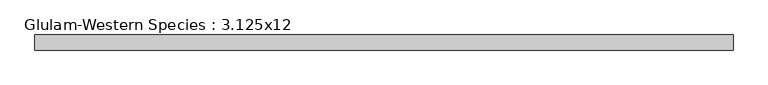
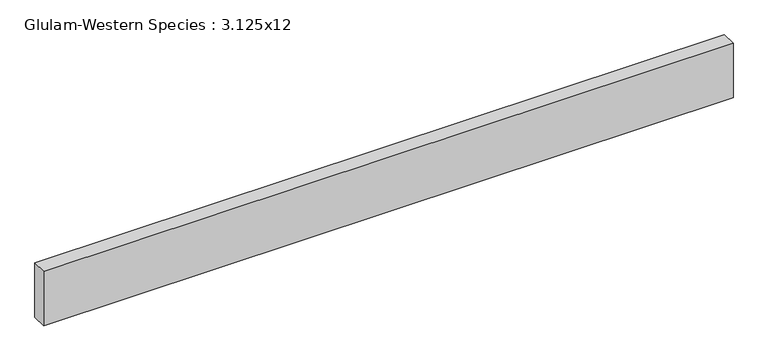
"""IFC4 building model written with IfcOpenShell, lengths in millimetres: beam geometry, Glulam-Western Species : 3.125x12."""

from ifc_helpers import new_model, si_unit, frame, origin, place, context, project, spatial, polyline, outline, extrude, source, transform, mapped, element, save


def glulam_western_species_3_125x12_f55c3a85(model_context):
    return source(origin(), model_context, "Body", "SweptSolid", [
        extrude(outline(polyline([(1831.4625717, 39.6875), (1831.4625717, -39.6875), (-1831.4625711, -39.6875), (-1831.4625711, 39.6875), (1831.4625717, 39.6875)])), frame((0.0, 0.0, -152.4), z_axis=(0.0, 0.0, 1.0), x_axis=(1.0, 0.0, 0.0)), (0.0, 0.0, 1.0), 304.8),
    ])


if __name__ == "__main__":
    model = new_model("IFC4")
    model_context = context("Model", 3, world=origin())
    ifc_project = project(units=[si_unit("LENGTHUNIT", "METRE", prefix="MILLI")], contexts=[model_context])
    site = spatial("IfcSite", under=ifc_project)
    building = spatial("IfcBuilding", under=site)
    placement = place(None, origin())
    glulam_western_species_3_125x12_shape = glulam_western_species_3_125x12_f55c3a85(model_context)
    element("IfcBeam", 1, ObjectType="Glulam-Western Species : 3.125x12", at=placement, inside=building, context=model_context, shape_type="MappedRepresentation", body=[
        mapped(glulam_western_species_3_125x12_shape, transform((0.0, 0.0, 0.0), x_axis=(1.0, 0.0, 0.0), y_axis=(0.0, 1.0, 0.0), z_axis=(0.0, 0.0, 1.0))),
    ])
    save(model, "model.ifc")
